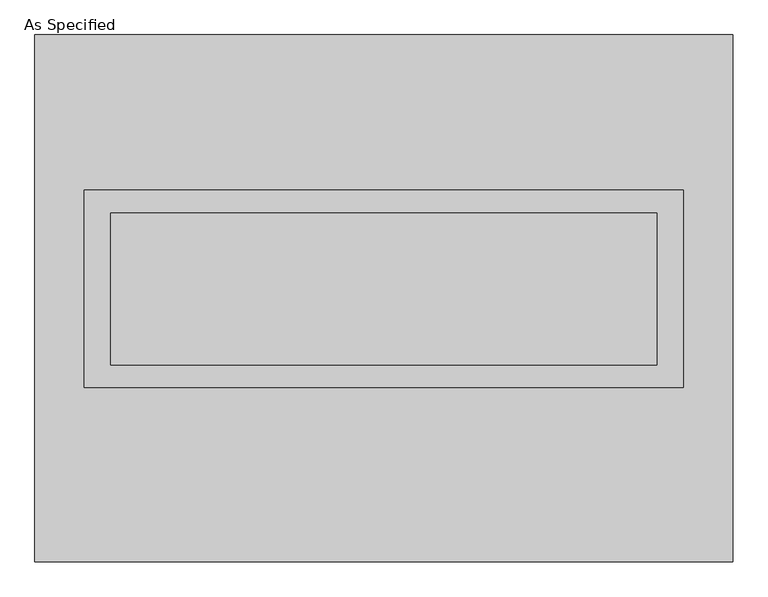
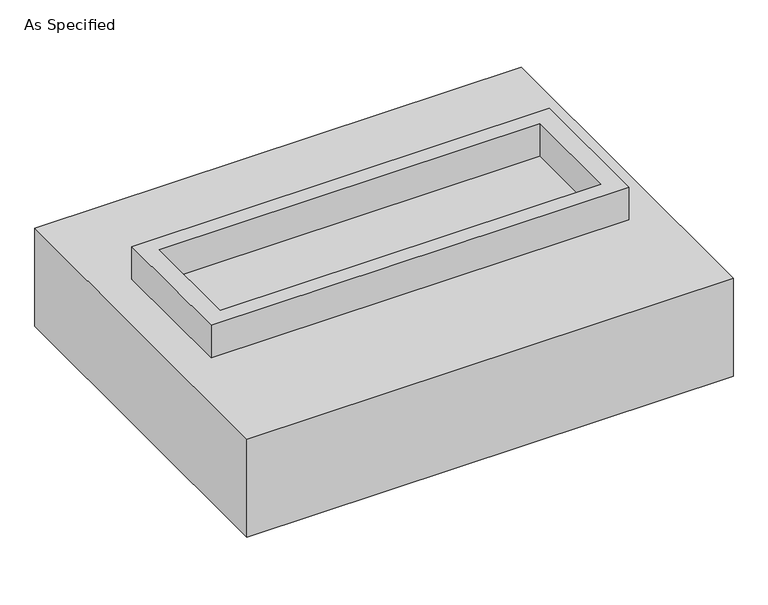
"""IFC4 building model written with IfcOpenShell, lengths in millimetres: proxy geometry, As Specified."""

from ifc_helpers import new_model, si_unit, frame, origin, place, context, project, spatial, polyline, outline, extrude, source, transform, mapped, element, save


def as_specified_5e291d31(model_context):
    return source(origin(), model_context, "Body", "SweptSolid", [
        extrude(outline(polyline([(1003.3, 361.95), (1003.3, -298.45), (-1003.3, -298.45), (-1003.3, 361.95), (1003.3, 361.95)]), holes=[polyline([(914.4, 285.75), (-914.4, 285.75), (-914.4, -222.25), (914.4, -222.25), (914.4, 285.75)])]), frame((0.0, 0.0, -688.975), z_axis=(0.0, 0.0, 1.0), x_axis=(1.0, 0.0, 0.0)), (0.0, 0.0, 1.0), 165.1),
        extrude(outline(polyline([(1003.3, 361.95), (1003.3, -298.45), (-1003.3, -298.45), (-1003.3, 361.95), (1003.3, 361.95)]), holes=[polyline([(914.4, 285.75), (-914.4, 285.75), (-914.4, -222.25), (914.4, -222.25), (914.4, 285.75)])]), frame((0.0, 0.0, -25.4), z_axis=(0.0, 0.0, 1.0), x_axis=(1.0, 0.0, 0.0)), (0.0, 0.0, 1.0), 165.1),
        extrude(outline(polyline([(914.4, 285.75), (914.4, -222.25), (-914.4, -222.25), (-914.4, 285.75), (914.4, 285.75)])), frame((0.0, 0.0, -523.875), z_axis=(0.0, 0.0, 1.0), x_axis=(1.0, 0.0, 0.0)), (0.0, 0.0, 1.0), 4.9609375),
        extrude(outline(polyline([(914.4, 285.75), (914.4, -222.25), (-914.4, -222.25), (-914.4, 285.75), (914.4, 285.75)])), frame((0.0, 0.0, -30.3609375), z_axis=(0.0, 0.0, 1.0), x_axis=(1.0, 0.0, 0.0)), (0.0, 0.0, 1.0), 4.9609375),
        extrude(outline(polyline([(1168.4, -882.65), (-1168.4, -882.65), (-1168.4, 882.65), (1168.4, 882.65), (1168.4, -882.65)]), holes=[polyline([(-1003.3, 361.95), (-1003.3, -298.45), (1003.3, -298.45), (1003.3, 361.95), (-1003.3, 361.95)])]), frame((0.0, 0.0, -523.875), z_axis=(0.0, 0.0, 1.0), x_axis=(1.0, 0.0, 0.0)), (0.0, 0.0, 1.0), 498.475),
    ])


if __name__ == "__main__":
    model = new_model("IFC4")
    model_context = context("Model", 3, world=origin())
    ifc_project = project(units=[si_unit("LENGTHUNIT", "METRE", prefix="MILLI")], contexts=[model_context])
    site = spatial("IfcSite", under=ifc_project)
    building = spatial("IfcBuilding", under=site)
    placement = place(None, origin())
    as_specified_shape = as_specified_5e291d31(model_context)
    element("IfcBuildingElementProxy", 1, Name="As Specified", ObjectType="As Specified", at=placement, inside=building, context=model_context, shape_type="MappedRepresentation", body=[
        mapped(as_specified_shape, transform((0.0, 0.0, 0.0), x_axis=(1.0, 0.0, 0.0), y_axis=(0.0, 1.0, 0.0), z_axis=(0.0, 0.0, 1.0))),
    ])
    save(model, "model.ifc")
